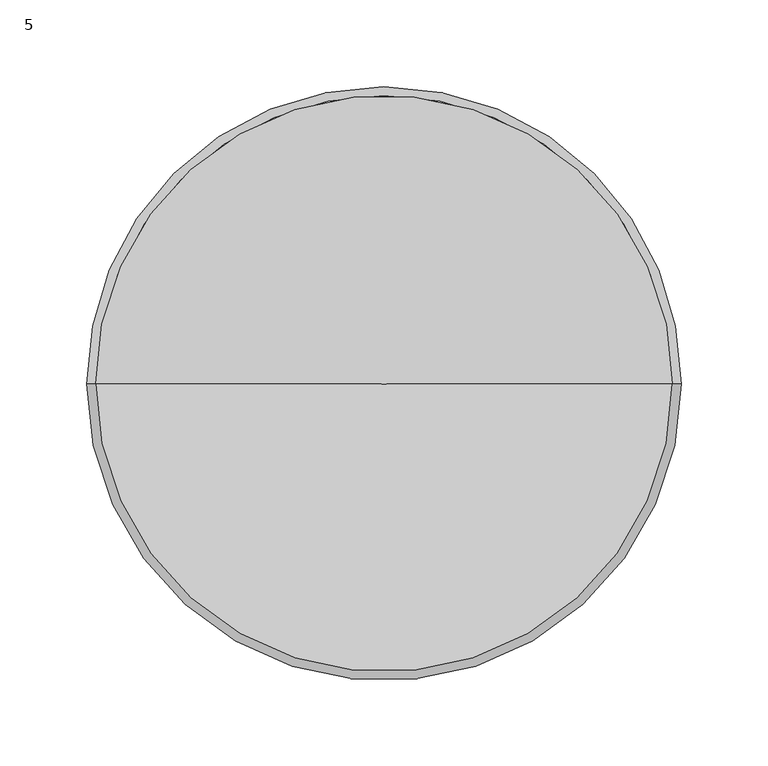
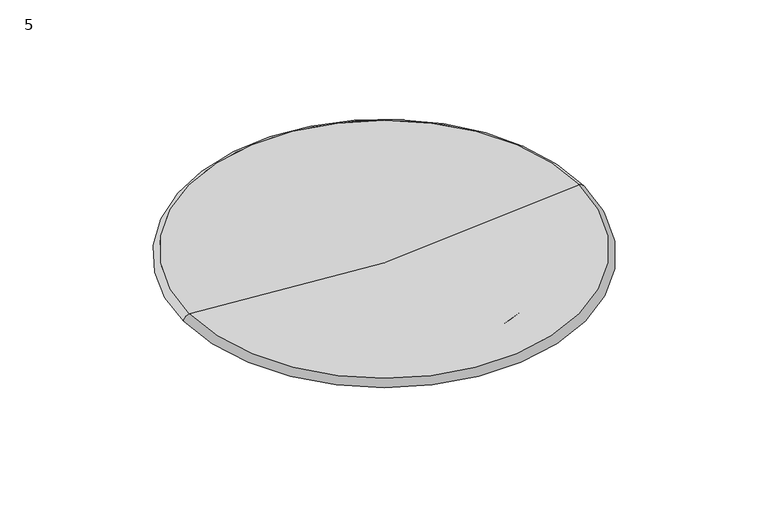
"""IFC4 building model written with IfcOpenShell, lengths in millimetres: furniture geometry, 5."""

from ifc_helpers import new_model, si_unit, point, frame, origin, place, context, project, spatial, polyline, circle_curve, ellipse_curve, trimmed, source, transform, mapped, element, save
from ifc_brep_helpers import revolved_surface, advanced_brep


def furniture_5_75a22ca3(model_context):
    return source(origin(), model_context, "Body", "AdvancedBrep", [
        advanced_brep(
        [(0.0, 0.0, 747.0), (166.0, 0.0, 759.0524385), (-166.0, 0.0, 759.0524385), (171.0, 0.0, 754.0524385), (-171.0, 0.0, 754.0524385), (149.2717099, 0.0, 754.0352658), (-149.2717099, 0.0, 754.0352658), (149.0857522, 0.0, 743.381756), (-149.0857522, 0.0, 743.381756), (143.3042965, 0.0, 738.469018), (-143.3042965, 0.0, 738.469018), (119.8410574, 0.0, 738.4695427), (-119.8410574, 0.0, 738.4695427), (114.9142478, 0.0, 743.381756), (-114.9142478, 0.0, 743.381756), (114.7854243, 0.0, 750.7620508), (-114.7854243, 0.0, 750.7620508), (0.0, 0.0, 745.0006092)],
        [
            (0, 1, circle_curve(frame((-2.4401982, 0.0, 1929.806577), z_axis=(0.0, -0.9999999999999999, 0.0), x_axis=(0.9999999999999999, 0.0, 0.0)), 1182.8090941)),
            (1, 2, circle_curve(frame((0.0, 0.0, 759.0524385), z_axis=(0.0, 0.0, 1.0), x_axis=(0.9999999999999999, 0.0, 0.0)), 166.0)),
            (2, 0, circle_curve(frame((2.4401982, 0.0, 1929.806577), z_axis=(0.0, -0.9999999999999999, 0.0), x_axis=(-0.9999999999999999, 0.0, 0.0)), 1182.8090941)),
            (3, 1, circle_curve(frame((165.4177567, 0.0, 753.4701952), z_axis=(0.0, -1.0, 0.0), x_axis=(1.0, 0.0, 0.0)), 5.612526)),
            (1, 2, circle_curve(frame((0.0, 0.0, 759.0524385), z_axis=(0.0, 0.0, -1.0), x_axis=(1.0, 0.0, 0.0)), 166.0)),
            (2, 4, circle_curve(frame((-165.4177567, 0.0, 753.4701952), z_axis=(0.0, -1.0, 0.0), x_axis=(-1.0, 0.0, 0.0)), 5.612526)),
            (4, 3, circle_curve(frame((0.0, 0.0, 754.0524385), z_axis=(0.0, 0.0, 1.0), x_axis=(1.0, 0.0, 0.0)), 171.0)),
            (5, 3),
            (4, 6),
            (6, 5, circle_curve(frame((0.0, 0.0, 754.0352658), z_axis=(0.0, 0.0, 1.0), x_axis=(1.0, 0.0, 0.0)), 149.2717099)),
            (7, 5),
            (6, 8),
            (8, 7, circle_curve(frame((0.0, 0.0, 743.381756), z_axis=(0.0, 0.0, 1.0), x_axis=(1.0, 0.0, 0.0)), 149.0857522)),
            (9, 7, circle_curve(frame((143.8473451, 0.0, 743.6882055), z_axis=(0.0, -1.0, 0.0), x_axis=(1.0, 0.0, 0.0)), 5.2473631)),
            (8, 10, circle_curve(frame((-143.8473451, 0.0, 743.6882055), z_axis=(0.0, -1.0, 0.0), x_axis=(-1.0, 0.0, 0.0)), 5.2473631)),
            (10, 9, circle_curve(frame((0.0, 0.0, 738.469018), z_axis=(0.0, 0.0, 1.0), x_axis=(1.0, 0.0, 0.0)), 143.3042965)),
            (9, 11),
            (11, 12, circle_curve(frame((0.0, 0.0, 738.4695427), z_axis=(0.0, 0.0, 1.0), x_axis=(1.0, 0.0, 0.0)), 119.8410574)),
            (12, 10),
            (10, 9, circle_curve(frame((0.0, 0.0, 738.469018), z_axis=(0.0, 0.0, -1.0), x_axis=(1.0, 0.0, 0.0)), 143.3042965)),
            (13, 11, circle_curve(frame((120.1787296, 0.0, 743.7350495), z_axis=(0.0, -1.0, 0.0), x_axis=(1.0, 0.0, 0.0)), 5.276323)),
            (11, 12, circle_curve(frame((0.0, 0.0, 738.4695427), z_axis=(0.0, 0.0, -1.0), x_axis=(1.0, 0.0, 0.0)), 119.8410574)),
            (12, 14, circle_curve(frame((-120.1787296, 0.0, 743.7350495), z_axis=(0.0, -1.0, 0.0), x_axis=(-1.0, 0.0, 0.0)), 5.276323)),
            (14, 13, circle_curve(frame((0.0, 0.0, 743.381756), z_axis=(0.0, 0.0, 1.0), x_axis=(1.0, 0.0, 0.0)), 114.9142478)),
            (13, 15),
            (15, 16, circle_curve(frame((0.0, 0.0, 750.7620508), z_axis=(0.0, 0.0, 1.0), x_axis=(1.0, 0.0, 0.0)), 114.7854243)),
            (16, 14),
            (14, 13, circle_curve(frame((0.0, 0.0, 743.381756), z_axis=(0.0, 0.0, -1.0), x_axis=(1.0, 0.0, 0.0)), 114.9142478)),
            (17, 15, circle_curve(frame((-5.7433616, 0.0, 2005.743777), z_axis=(0.0, -1.0, 0.0), x_axis=(1.0, 0.0, 0.0)), 1260.7562498)),
            (15, 16, circle_curve(frame((0.0, 0.0, 750.7620508), z_axis=(0.0, 0.0, -1.0), x_axis=(1.0, 0.0, 0.0)), 114.7854243)),
            (16, 17, circle_curve(frame((5.7433616, 0.0, 2005.743777), z_axis=(0.0, -1.0, 0.0), x_axis=(-1.0, 0.0, 0.0)), 1260.7562498)),
            (8, 7, circle_curve(frame((0.0, 0.0, 743.381756), z_axis=(0.0, 0.0, -1.0), x_axis=(1.0, 0.0, 0.0)), 149.0857522)),
            (6, 5, circle_curve(frame((0.0, 0.0, 754.0352658), z_axis=(0.0, 0.0, -1.0), x_axis=(1.0, 0.0, 0.0)), 149.2717099)),
            (4, 3, circle_curve(frame((0.0, 0.0, 754.0524385), z_axis=(0.0, 0.0, -1.0), x_axis=(1.0, 0.0, 0.0)), 171.0)),
        ],
        [
            revolved_surface(trimmed(ellipse_curve(frame((-2.4401982, 0.0, 1929.806577), z_axis=(0.0, 0.9999999999999999, 0.0), x_axis=(0.9999999999999999, 0.0, 0.0)), 1182.8090941, 1182.8090941), [point((166.0, 0.0, 759.0524385))], [point((0.0, 0.0, 747.0))], True, "CARTESIAN"), (0.0, 0.0, 1929.806577), (0.0, 0.0, 1.0)),
            revolved_surface(trimmed(ellipse_curve(frame((165.4177567, 0.0, 753.4701952), z_axis=(0.0, -1.0, 0.0), x_axis=(1.0, 0.0, 0.0)), 5.612526, 5.612526), [point((171.0, 0.0, 754.0524385))], [point((166.0, 0.0, 759.0524385))], True, "CARTESIAN"), (0.0, 0.0, 753.4701952), (0.0, 0.0, 1.0)),
            revolved_surface(polyline([(149.27173395098896, 0.0, 754.0352658), (171.0, 0.0, 754.0524385)]), (0.0, 0.0, 753.9172905), (0.0, 0.0, 1.0)),
            revolved_surface(polyline([(149.08575219467912, 0.0, 743.3817559999998), (149.2717099, 0.0, 754.0352658000002)]), (0.0, 0.0, -7797.7352647), (0.0, 0.0, 1.0)),
            revolved_surface(trimmed(ellipse_curve(frame((143.8473451, 0.0, 743.6882055), z_axis=(0.0, -1.0, 0.0), x_axis=(1.0, 0.0, 0.0)), 5.2473631, 5.2473631), [point((143.3042965, 0.0, 738.469018))], [point((149.0857522, 0.0, 743.381756))], True, "CARTESIAN"), (0.0, 0.0, 743.6882055), (0.0, 0.0, 1.0)),
            revolved_surface(polyline([(143.3042965, 0.0, 738.469018), (119.83767007938383, 0.0, 738.4695427)]), (0.0, 0.0, 738.4722222), (0.0, 0.0, -1.0)),
            revolved_surface(trimmed(ellipse_curve(frame((120.1787296, 0.0, 743.7350495), z_axis=(0.0, -1.0, 0.0), x_axis=(1.0, 0.0, 0.0)), 5.276323, 5.276323), [point((114.9142478, 0.0, 743.381756))], [point((119.8410574, 0.0, 738.4695427))], True, "CARTESIAN"), (0.0, 0.0, 743.7350495), (0.0, 0.0, 1.0)),
            revolved_surface(polyline([(114.9142478, 0.0, 743.3817559999998), (114.78542427512573, 0.0, 750.7620508)]), (0.0, 0.0, 7326.8146058), (0.0, 0.0, -1.0)),
            revolved_surface(trimmed(ellipse_curve(frame((-5.7433616, 0.0, 2005.743777), z_axis=(0.0, -1.0, 0.0), x_axis=(1.0, 0.0, 0.0)), 1260.7562498, 1260.7562498), [point((0.0, 0.0, 745.0006092))], [point((114.7854243, 0.0, 750.7620508))], True, "CARTESIAN"), (0.0, 0.0, 2005.743777), (0.0, 0.0, 1.0)),
        ],
        [
            (0, [[1, 2, 3]]),
            (1, [[4, 5, 6, 7]]),
            (2, [[8, -7, 9, 10]]),
            (3, [[11, -10, 12, 13]]),
            (4, [[14, -13, 15, 16]]),
            (5, [[17, 18, 19, 20]]),
            (6, [[21, 22, 23, 24]]),
            (7, [[25, 26, 27, 28]]),
            (8, [[29, 30, 31]]),
            (8, [[-29, -31, -26]]),
            (7, [[-25, -24, -27, -30]]),
            (6, [[-21, -28, -23, -18]]),
            (5, [[-17, -16, -19, -22]]),
            (4, [[-14, -20, -15, 32]]),
            (3, [[-11, -32, -12, 33]]),
            (2, [[-8, -33, -9, 34]]),
            (1, [[-4, -34, -6, -2]]),
            (0, [[-1, -3, -5]]),
        ],
    ),
    ])


if __name__ == "__main__":
    model = new_model("IFC4")
    model_context = context("Model", 3, world=origin())
    ifc_project = project(units=[si_unit("LENGTHUNIT", "METRE", prefix="MILLI")], contexts=[model_context])
    site = spatial("IfcSite", under=ifc_project)
    building = spatial("IfcBuilding", under=site)
    placement = place(None, origin())
    furniture_5_shape = furniture_5_75a22ca3(model_context)
    element("IfcFurniture", 1, ObjectType="5", at=placement, inside=building, context=model_context, shape_type="MappedRepresentation", body=[
        mapped(furniture_5_shape, transform((0.0, 0.0, 0.0), x_axis=(1.0, 0.0, 0.0), y_axis=(0.0, 1.0, 0.0), z_axis=(0.0, 0.0, 1.0))),
    ])
    save(model, "model.ifc")
